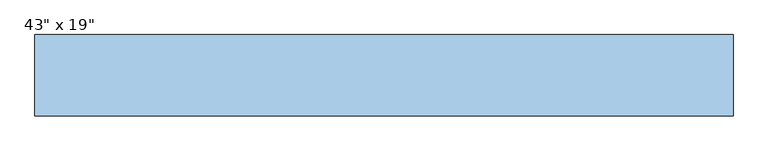
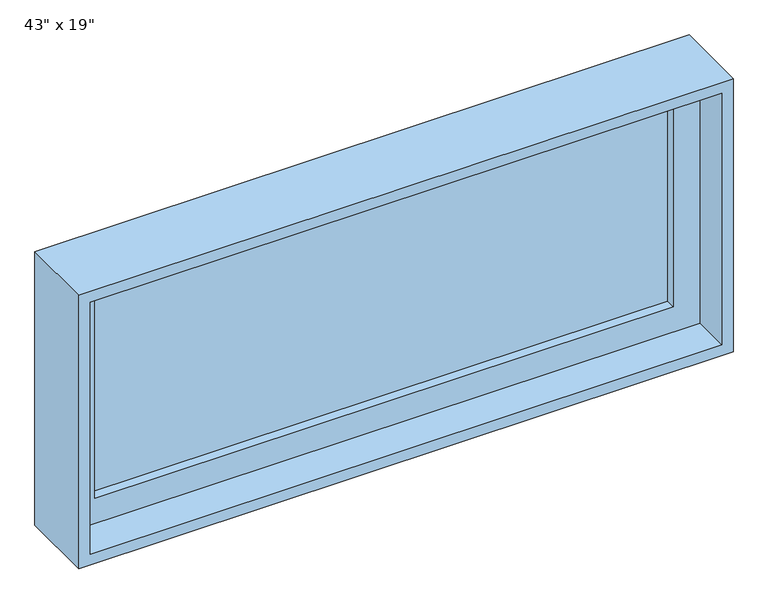
"""IFC4 building model written with IfcOpenShell, lengths in millimetres: window geometry."""

import ifcopenshell
import ifcopenshell.guid

model = None  # the IFC model being written
_history = None  # IfcOwnerHistory: only IFC2X3 demands one
_inside = {}  # id of a spatial element -> (the spatial element, [elements in it])
_under = {}  # id of a project, library or spatial element -> (it, [spatial elements below it])
_declared = {}  # id of a project -> (the project, [libraries it declares])
_typed = {}  # id of a type object -> (the type object, [elements of that type])
_made_of = {}  # id of a material, layer set ... -> (it, [elements and type objects made of it])


def new_model(schema):
    """Start an empty IFC model of exactly this schema.

    Asked for "IFC4X3", IfcOpenShell would pick the latest addendum, in which some entities
    have other attributes; the version numbers below select the first issue.
    IFC2X3 requires an IfcOwnerHistory on every rooted entity: one is made here for all.
    """
    global model, _history
    if schema == "IFC4X3":
        model = ifcopenshell.file(schema_version=(4, 3, 0, 0))
    else:
        model = ifcopenshell.file(schema=schema)
    _inside.clear()
    _under.clear()
    _declared.clear()
    _typed.clear()
    _made_of.clear()
    _history = None
    if model.schema == "IFC2X3":
        org = make("IfcOrganization", Name="unknown")
        user = make(
            "IfcPersonAndOrganization",
            ThePerson=make("IfcPerson", FamilyName="unknown"),
            TheOrganization=org,
        )
        app = make(
            "IfcApplication",
            ApplicationDeveloper=org,
            Version="unknown",
            ApplicationFullName="unknown",
            ApplicationIdentifier="unknown",
        )
        _history = make(
            "IfcOwnerHistory",
            OwningUser=user,
            OwningApplication=app,
            ChangeAction="ADDED",
            CreationDate=0,
        )
    return model


def make(cls, **values):
    """One entity of the class cls with the attributes given. An attribute that is None is left unset."""
    return model.create_entity(
        cls, **{name: value for name, value in values.items() if value is not None}
    )


def rooted(cls, **values):
    """An entity with a GlobalId (a new one), such as an element, a storey or a relation."""
    return make(cls, GlobalId=ifcopenshell.guid.new(), OwnerHistory=_history, **values)


def si_unit(unit_type, name, prefix=None):
    """IfcSIUnit, for example si_unit("LENGTHUNIT", "METRE", prefix="MILLI")."""
    return make("IfcSIUnit", UnitType=unit_type, Prefix=prefix, Name=name)


def assignment(units):
    """IfcUnitAssignment: the units of a project."""
    return None if units is None else make("IfcUnitAssignment", Units=units)


def point(xyz):
    """IfcCartesianPoint."""
    return None if xyz is None else make("IfcCartesianPoint", Coordinates=xyz)


def direction(xyz):
    """IfcDirection."""
    return None if xyz is None else make("IfcDirection", DirectionRatios=xyz)


def frame(location, z_axis=None, x_axis=None):
    """IfcAxis2Placement3D, a coordinate frame: its origin and axes. An axis left out is left unset."""
    return make(
        "IfcAxis2Placement3D",
        Location=point(location),
        Axis=direction(z_axis),
        RefDirection=direction(x_axis),
    )


def origin():
    """The frame at (0, 0, 0) with its axes left unset."""
    return frame((0.0, 0.0, 0.0))


def place(relative_to, where):
    """IfcLocalPlacement: puts the frame where relative to a parent placement (None: the world)."""
    return make(
        "IfcLocalPlacement", PlacementRelTo=relative_to, RelativePlacement=where
    )


def context(
    kind, dimensions, precision=None, world=None, true_north=None, identifier=None
):
    """IfcGeometricRepresentationContext, for example the 3D "Model" context."""
    return make(
        "IfcGeometricRepresentationContext",
        ContextIdentifier=identifier,
        ContextType=kind,
        CoordinateSpaceDimension=dimensions,
        Precision=precision,
        WorldCoordinateSystem=world,
        TrueNorth=true_north,
    )


def project(units=None, contexts=None):
    """IfcProject with its units and contexts."""
    return rooted(
        "IfcProject",
        Name="project",
        RepresentationContexts=contexts,
        UnitsInContext=assignment(units),
    )


def spatial(cls, under=None, at=None, **own):
    """A site, building, storey or space (cls), placed at a placement, below another one or the project."""
    s = rooted(cls, ObjectPlacement=at, **own)
    if under is not None:
        _under.setdefault(under.id(), (under, []))[1].append(s)
    return s


def polyline(points):
    """IfcPolyline through the points."""
    return make("IfcPolyline", Points=[point(p) for p in points])


def outline(outer, holes=None, kind="AREA"):
    """IfcArbitraryClosedProfileDef: a profile drawn as a closed curve; with holes, ...WithVoids."""
    if holes is None:
        return make("IfcArbitraryClosedProfileDef", ProfileType=kind, OuterCurve=outer)
    return make(
        "IfcArbitraryProfileDefWithVoids",
        ProfileType=kind,
        OuterCurve=outer,
        InnerCurves=holes,
    )


def extrude(swept, where, along, depth):
    """IfcExtrudedAreaSolid: the profile swept, set in the frame where, extruded along a direction by depth."""
    return make(
        "IfcExtrudedAreaSolid",
        SweptArea=swept,
        Position=where,
        ExtrudedDirection=direction(along),
        Depth=depth,
    )


def shape(context_of_items, identifier, shape_type, items):
    """IfcShapeRepresentation: the items that make up one representation, for example the "Body"."""
    return make(
        "IfcShapeRepresentation",
        ContextOfItems=context_of_items,
        RepresentationIdentifier=identifier,
        RepresentationType=shape_type,
        Items=items,
    )


def source(mapping_origin, context_of_items, identifier, shape_type, items):
    """IfcRepresentationMap: a shape defined once, which mapped items show again and again."""
    return make(
        "IfcRepresentationMap",
        MappingOrigin=mapping_origin,
        MappedRepresentation=shape(context_of_items, identifier, shape_type, items),
    )


def transform(
    local_origin,
    x_axis=None,
    y_axis=None,
    z_axis=None,
    scale=None,
    scale2=None,
    scale3=None,
    uniform=True,
):
    """IfcCartesianTransformationOperator3D, or its non-uniform kind. x_axis, y_axis, z_axis: its Axis1, 2, 3."""
    if uniform:
        return make(
            "IfcCartesianTransformationOperator3D",
            Axis1=direction(x_axis),
            Axis2=direction(y_axis),
            LocalOrigin=point(local_origin),
            Scale=scale,
            Axis3=direction(z_axis),
        )
    return make(
        "IfcCartesianTransformationOperator3DnonUniform",
        Axis1=direction(x_axis),
        Axis2=direction(y_axis),
        LocalOrigin=point(local_origin),
        Scale=scale,
        Axis3=direction(z_axis),
        Scale2=scale2,
        Scale3=scale3,
    )


def mapped(mapping_source, mapping_target):
    """IfcMappedItem: shows the shape of a source again, moved by a transform."""
    return make(
        "IfcMappedItem", MappingSource=mapping_source, MappingTarget=mapping_target
    )


def made_of(thing, what):
    """Note that an element or type object is made of a material, layer set ...; save() writes the relation."""
    if what is not None:
        _made_of.setdefault(what.id(), (what, []))[1].append(thing)
    return thing


def element(
    cls,
    number,
    at=None,
    inside=None,
    cuts=None,
    type_object=None,
    material=None,
    context=None,
    identifier="Body",
    shape_type=None,
    held_by="IfcProductDefinitionShape",
    body=None,
    shapes=None,
    **own,
):
    """One element of the class cls, such as IfcWall. Its Tag is "e" and its number.

    at: its placement. inside: the storey or other place that contains it. cuts: it is an
    opening in that element (IfcRelVoidsElement). A single representation is given by context,
    identifier, shape_type and body (its items); several are given by shapes. held_by: the class
    of the entity that holds the representations. save() writes the other relations.
    """
    e = rooted(cls, Tag="e%d" % number, ObjectPlacement=at, **own)
    if body is not None:
        shapes = [shape(context, identifier, shape_type, body)]
    if shapes is not None:
        e.Representation = make(held_by, Representations=shapes)
    if inside is not None:
        _inside.setdefault(inside.id(), (inside, []))[1].append(e)
    if cuts is not None:
        rooted(
            "IfcRelVoidsElement", RelatingBuildingElement=cuts, RelatedOpeningElement=e
        )
    if type_object is not None:
        _typed.setdefault(type_object.id(), (type_object, []))[1].append(e)
    return made_of(e, material)


def aggregate(whole, parts):
    """IfcRelAggregates: a whole, such as a stair, and the parts it consists of."""
    return rooted("IfcRelAggregates", RelatingObject=whole, RelatedObjects=parts)


def save(model, path):
    """Write the relations noted so far, then the file.

    IfcRelAggregates (storeys below a building ...), IfcRelContainedInSpatialStructure (elements
    in a storey), IfcRelDefinesByType, IfcRelAssociatesMaterial and IfcRelDeclares: one each for
    every whole, place, type object, material and project.
    """
    for whole, parts in _under.values():
        aggregate(whole, parts)
    for where, things in _inside.values():
        rooted(
            "IfcRelContainedInSpatialStructure",
            RelatedElements=things,
            RelatingStructure=where,
        )
    for kind, things in _typed.values():
        rooted("IfcRelDefinesByType", RelatedObjects=things, RelatingType=kind)
    for what, things in _made_of.values():
        rooted("IfcRelAssociatesMaterial", RelatedObjects=things, RelatingMaterial=what)
    for by, libraries in _declared.values():
        rooted("IfcRelDeclares", RelatingContext=by, RelatedDefinitions=libraries)
    model.write(path)


def window_c1adbf08(model_context):
    return source(origin(), model_context, "Body", "SweptSolid", [
        extrude(outline(polyline([(1377.95, 527.05), (1377.95, -527.05), (933.45, -527.05), (933.45, 527.05), (1377.95, 527.05)]), holes=[polyline([(1333.5, 482.6), (977.9, 482.6), (977.9, -482.6), (1333.5, -482.6), (1333.5, 482.6)])]), frame((0.0, -15.875, 0.0), z_axis=(0.0, 1.0, 0.0), x_axis=(0.0, 0.0, 1.0)), (0.0, 0.0, 1.0), 44.45),
        extrude(outline(polyline([(482.6, 0.0), (-482.6, 0.0), (-482.6, 12.7), (482.6, 12.7), (482.6, 0.0)])), frame((0.0, 0.0, 977.9), z_axis=(0.0, 0.0, 1.0), x_axis=(1.0, 0.0, 0.0)), (0.0, 0.0, 1.0), 355.6),
        extrude(outline(polyline([(1397.0, -546.1), (914.4, -546.1), (914.4, 546.1), (1397.0, 546.1), (1397.0, -546.1)]), holes=[polyline([(933.45, 527.05), (933.45, -527.05), (1377.95, -527.05), (1377.95, 527.05), (933.45, 527.05)])]), frame((0.0, -79.375, 0.0), z_axis=(0.0, 1.0, 0.0), x_axis=(0.0, 0.0, 1.0)), (0.0, 0.0, 1.0), 127.0),
    ])


if __name__ == "__main__":
    model = new_model("IFC4")
    model_context = context("Model", 3, world=origin())
    ifc_project = project(units=[si_unit("LENGTHUNIT", "METRE", prefix="MILLI")], contexts=[model_context])
    site = spatial("IfcSite", under=ifc_project)
    building = spatial("IfcBuilding", under=site)
    placement = place(None, origin())
    window_shape = window_c1adbf08(model_context)
    element("IfcWindow", 1, ObjectType="43\" x 19\"", at=placement, inside=building, context=model_context, shape_type="MappedRepresentation", body=[
        mapped(window_shape, transform((0.0, 0.0, 0.0), x_axis=(1.0, 0.0, 0.0), y_axis=(0.0, 1.0, 0.0), z_axis=(0.0, 0.0, 1.0))),
    ])
    save(model, "model.ifc")
